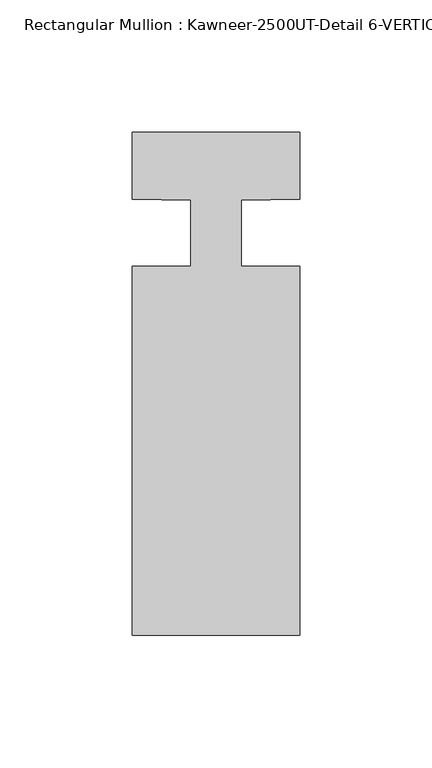
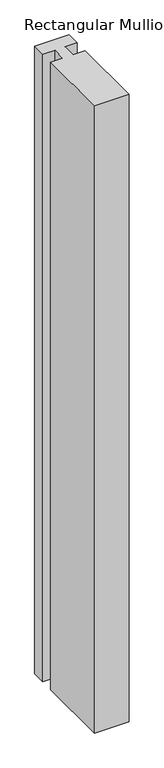
"""IFC4 building model written with IfcOpenShell, lengths in millimetres: member geometry, Rectangular Mullion : Kawneer-2500UT-Detail 6-VERTICAL MULLION-1 INCH INFILL."""

from ifc_helpers import new_model, si_unit, point, frame, frame_2d, origin, place, context, project, spatial, polyline, circle_curve, trimmed, segment, composite_curve, outline, extrude, source, transform, mapped, element, save


def rectangular_mullion_kawneer_2500ut_detail_6_vertical_mullion_e00e730a(model_context):
    return source(origin(), model_context, "Body", "SweptSolid", [
        extrude(outline(composite_curve([segment(polyline([(-31.75, -165.099995), (-31.75, -25.4), (-9.5251132, -25.4), (-9.5251132, -0.3176283)]), True, "CONTINUOUS"), segment(trimmed(circle_curve(frame_2d((-27.4492482, -461.0078197)), 461.0387479), [point((-9.5251132, -0.3176283))], [point((-31.75, 0.0108682))], True, "CARTESIAN"), True, "CONTINUOUS"), segment(polyline([(-31.75, 0.0108682), (-31.75, 25.4), (31.75, 25.4), (31.75, 0.0108682)]), True, "CONTINUOUS"), segment(trimmed(circle_curve(frame_2d((27.4492482, -461.0078197)), 461.0387479), [point((31.75, 0.0108682))], [point((9.5251132, -0.3176283))], True, "CARTESIAN"), True, "CONTINUOUS"), segment(polyline([(9.5251132, -0.3176283), (9.5251132, -25.4), (31.75, -25.4), (31.75, -165.099995), (-31.75, -165.099995)]), True, "CONTINUOUS")], self_intersect=False)), frame((0.0, 0.0, -1219.2), z_axis=(0.0, 0.0, 1.0), x_axis=(1.0, 0.0, 0.0)), (0.0, 0.0, 1.0), 1219.2),
    ])


if __name__ == "__main__":
    model = new_model("IFC4")
    model_context = context("Model", 3, world=origin())
    ifc_project = project(units=[si_unit("LENGTHUNIT", "METRE", prefix="MILLI")], contexts=[model_context])
    site = spatial("IfcSite", under=ifc_project)
    building = spatial("IfcBuilding", under=site)
    placement = place(None, origin())
    rectangular_mullion_kawneer_2500ut_detail_6_vertical_mullion_shape = rectangular_mullion_kawneer_2500ut_detail_6_vertical_mullion_e00e730a(model_context)
    element("IfcMember", 1, ObjectType="Rectangular Mullion : Kawneer-2500UT-Detail 6-VERTICAL MULLION-1 INCH INFILL", at=placement, inside=building, context=model_context, shape_type="MappedRepresentation", body=[
        mapped(rectangular_mullion_kawneer_2500ut_detail_6_vertical_mullion_shape, transform((0.0, 0.0, 0.0), x_axis=(1.0, 0.0, 0.0), y_axis=(0.0, 1.0, 0.0), z_axis=(0.0, 0.0, 1.0))),
    ])
    save(model, "model.ifc")
